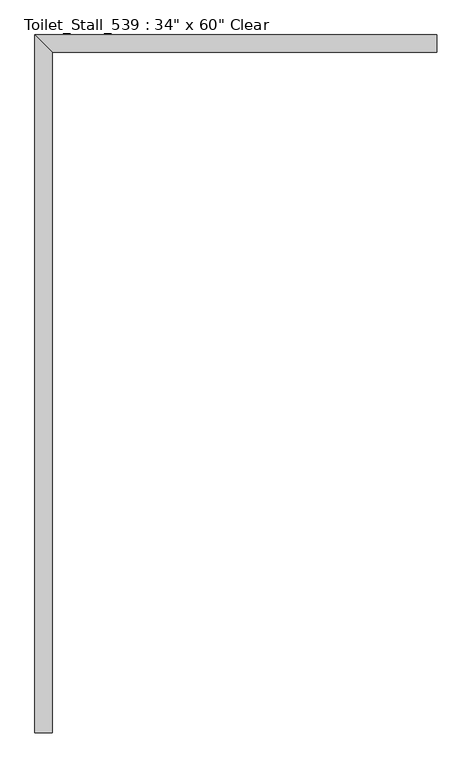
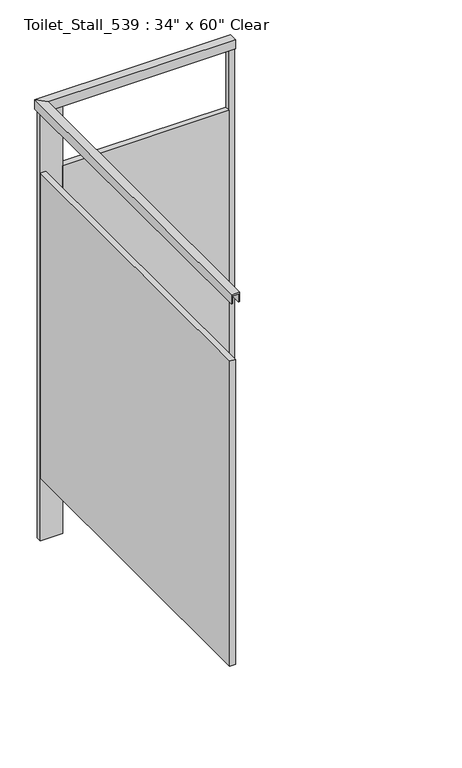
"""IFC4 building model written with IfcOpenShell, lengths in millimetres: proxy geometry."""

from ifc_helpers import new_model, si_unit, frame, origin, origin_with_axes, place, context, project, spatial, polyline, outline, extrude, faceted_brep, source, transform, mapped, element, save


def proxy_d2f56355(model_context):
    return source(origin(), model_context, "Body", "SolidModel", [
        faceted_brep([(-52.2968462, 39.6875, 2108.2), (-26.8968462, 39.6875, 2108.2), (-26.8968462, 39.6875, 2070.1), (-20.5468462, 39.6875, 2070.1), (-20.5468462, 39.6875, 2114.55), (-58.6468462, 39.6875, 2114.55), (-58.6468462, 39.6875, 2070.1), (-52.2968462, 39.6875, 2070.1), (-52.2968462, 1589.0875, 2108.2), (-26.8968462, 1563.6875, 2108.2), (-26.8968462, 1563.6875, 2070.1), (-20.5468462, 1557.3375, 2070.1), (-20.5468462, 1557.3375, 2114.55), (-58.6468462, 1595.4375, 2114.55), (-58.6468462, 1595.4375, 2070.1), (-52.2968462, 1589.0875, 2070.1), (836.7031538, 1589.0875, 2108.2), (836.7031538, 1589.0875, 2070.1), (836.7031538, 1595.4375, 2070.1), (836.7031538, 1595.4375, 2114.55), (836.7031538, 1557.3375, 2114.55), (836.7031538, 1557.3375, 2070.1), (836.7031538, 1563.6875, 2070.1), (836.7031538, 1563.6875, 2108.2)], [[[0, 1, 2, 3, 4, 5, 6, 7]], [[1, 0, 8, 9]], [[2, 1, 9, 10]], [[3, 2, 10, 11]], [[4, 3, 11, 12]], [[5, 4, 12, 13]], [[6, 5, 13, 14]], [[7, 6, 14, 15]], [[0, 7, 15, 8]], [[16, 17, 18, 19, 20, 21, 22, 23]], [[9, 8, 16, 23]], [[10, 9, 23, 22]], [[11, 10, 22, 21]], [[12, 11, 21, 20]], [[13, 12, 20, 19]], [[14, 13, 19, 18]], [[15, 14, 18, 17]], [[8, 15, 17, 16]]]),
        extrude(outline(polyline([(811.3031538, 1589.0875), (811.3031538, 1563.6875), (49.3031538, 1563.6875), (49.3031538, 1589.0875), (811.3031538, 1589.0875)])), frame((0.0, 0.0, 304.8), z_axis=(0.0, 0.0, 1.0), x_axis=(1.0, 0.0, 0.0)), (0.0, 0.0, 1.0), 1473.2),
        extrude(outline(polyline([(49.3031538, 1589.0875), (49.3031538, 1563.6875), (-52.2968462, 1563.6875), (-52.2968462, 1589.0875), (49.3031538, 1589.0875)])), origin_with_axes(), (0.0, 0.0, 1.0), 2108.2),
        extrude(outline(polyline([(836.7031538, 1589.0875), (836.7031538, 1563.6875), (811.3031538, 1563.6875), (811.3031538, 1589.0875), (836.7031538, 1589.0875)])), origin_with_axes(), (0.0, 0.0, 1.0), 2108.2),
        extrude(outline(polyline([(-52.2968462, 1563.6875), (-26.8968462, 1563.6875), (-26.8968462, 63.5), (-52.2968462, 63.5), (-52.2968462, 1563.6875)])), frame((0.0, 0.0, 304.8), z_axis=(0.0, 0.0, 1.0), x_axis=(1.0, 0.0, 0.0)), (0.0, 0.0, 1.0), 1473.2),
    ])


if __name__ == "__main__":
    model = new_model("IFC4")
    model_context = context("Model", 3, world=origin())
    ifc_project = project(units=[si_unit("LENGTHUNIT", "METRE", prefix="MILLI")], contexts=[model_context])
    site = spatial("IfcSite", under=ifc_project)
    building = spatial("IfcBuilding", under=site)
    placement = place(None, origin())
    proxy_shape = proxy_d2f56355(model_context)
    element("IfcBuildingElementProxy", 1, Name="Toilet_Stall_539 : 34\" x 60\" Clear", ObjectType="Toilet_Stall_539 : 34\" x 60\" Clear", at=placement, inside=building, context=model_context, shape_type="MappedRepresentation", body=[
        mapped(proxy_shape, transform((0.0, 0.0, 0.0), x_axis=(1.0, 0.0, 0.0), y_axis=(0.0, 1.0, 0.0), z_axis=(0.0, 0.0, 1.0))),
    ])
    save(model, "model.ifc")
